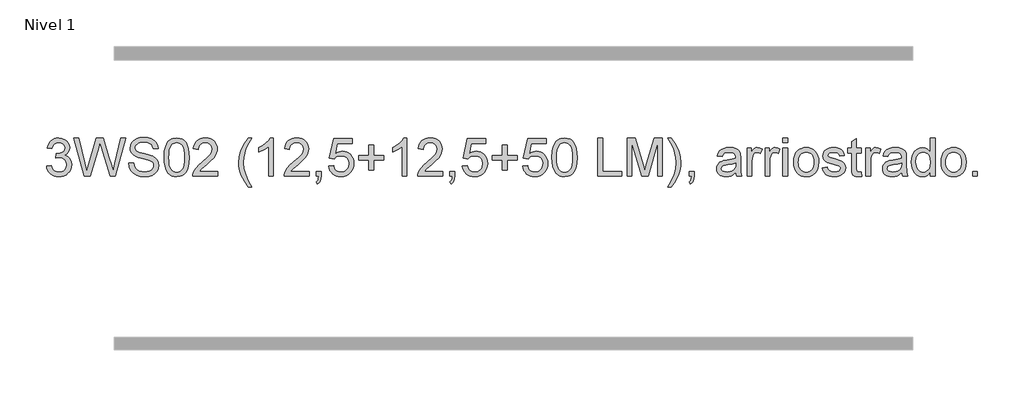
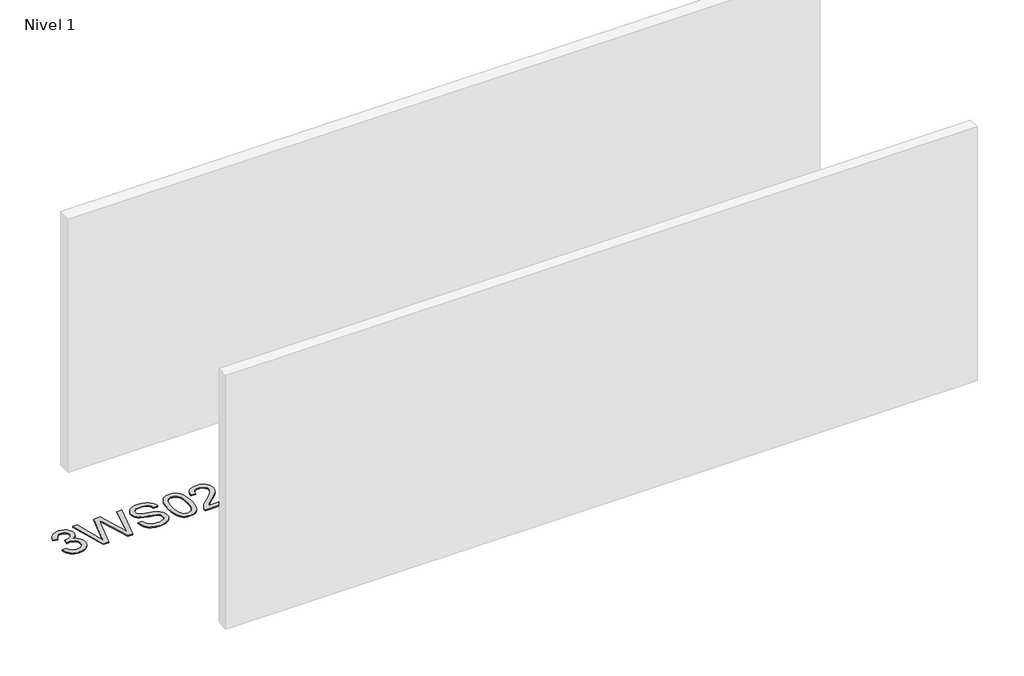
# One storey, part 6 of 13: 1 proxy.
"""IFC4 building model written with IfcOpenShell, lengths in millimetres."""

import ifcopenshell
import ifcopenshell.guid

model = None  # the IFC model being written
_history = None  # IfcOwnerHistory: only IFC2X3 demands one
_inside = {}  # id of a spatial element -> (the spatial element, [elements in it])
_under = {}  # id of a project, library or spatial element -> (it, [spatial elements below it])
_declared = {}  # id of a project -> (the project, [libraries it declares])
_typed = {}  # id of a type object -> (the type object, [elements of that type])
_made_of = {}  # id of a material, layer set ... -> (it, [elements and type objects made of it])


def new_model(schema):
    """Start an empty IFC model of exactly this schema.

    Asked for "IFC4X3", IfcOpenShell would pick the latest addendum, in which some entities
    have other attributes; the version numbers below select the first issue.
    IFC2X3 requires an IfcOwnerHistory on every rooted entity: one is made here for all.
    """
    global model, _history
    if schema == "IFC4X3":
        model = ifcopenshell.file(schema_version=(4, 3, 0, 0))
    else:
        model = ifcopenshell.file(schema=schema)
    _inside.clear()
    _under.clear()
    _declared.clear()
    _typed.clear()
    _made_of.clear()
    _history = None
    if model.schema == "IFC2X3":
        org = make("IfcOrganization", Name="unknown")
        user = make(
            "IfcPersonAndOrganization",
            ThePerson=make("IfcPerson", FamilyName="unknown"),
            TheOrganization=org,
        )
        app = make(
            "IfcApplication",
            ApplicationDeveloper=org,
            Version="unknown",
            ApplicationFullName="unknown",
            ApplicationIdentifier="unknown",
        )
        _history = make(
            "IfcOwnerHistory",
            OwningUser=user,
            OwningApplication=app,
            ChangeAction="ADDED",
            CreationDate=0,
        )
    return model


def make(cls, **values):
    """One entity of the class cls with the attributes given. An attribute that is None is left unset."""
    return model.create_entity(
        cls, **{name: value for name, value in values.items() if value is not None}
    )


def rooted(cls, **values):
    """An entity with a GlobalId (a new one), such as an element, a storey or a relation."""
    return make(cls, GlobalId=ifcopenshell.guid.new(), OwnerHistory=_history, **values)


def si_unit(unit_type, name, prefix=None):
    """IfcSIUnit, for example si_unit("LENGTHUNIT", "METRE", prefix="MILLI")."""
    return make("IfcSIUnit", UnitType=unit_type, Prefix=prefix, Name=name)


def assignment(units):
    """IfcUnitAssignment: the units of a project."""
    return None if units is None else make("IfcUnitAssignment", Units=units)


def point(xyz):
    """IfcCartesianPoint."""
    return None if xyz is None else make("IfcCartesianPoint", Coordinates=xyz)


def direction(xyz):
    """IfcDirection."""
    return None if xyz is None else make("IfcDirection", DirectionRatios=xyz)


def frame(location, z_axis=None, x_axis=None):
    """IfcAxis2Placement3D, a coordinate frame: its origin and axes. An axis left out is left unset."""
    return make(
        "IfcAxis2Placement3D",
        Location=point(location),
        Axis=direction(z_axis),
        RefDirection=direction(x_axis),
    )


def origin():
    """The frame at (0, 0, 0) with its axes left unset."""
    return frame((0.0, 0.0, 0.0))


def origin_with_axes():
    """The frame at (0, 0, 0) with the z axis (0, 0, 1) and the x axis (1, 0, 0) written out."""
    return frame((0.0, 0.0, 0.0), z_axis=(0.0, 0.0, 1.0), x_axis=(1.0, 0.0, 0.0))


def place(relative_to, where):
    """IfcLocalPlacement: puts the frame where relative to a parent placement (None: the world)."""
    return make(
        "IfcLocalPlacement", PlacementRelTo=relative_to, RelativePlacement=where
    )


def context(
    kind, dimensions, precision=None, world=None, true_north=None, identifier=None
):
    """IfcGeometricRepresentationContext, for example the 3D "Model" context."""
    return make(
        "IfcGeometricRepresentationContext",
        ContextIdentifier=identifier,
        ContextType=kind,
        CoordinateSpaceDimension=dimensions,
        Precision=precision,
        WorldCoordinateSystem=world,
        TrueNorth=true_north,
    )


def project(units=None, contexts=None):
    """IfcProject with its units and contexts."""
    return rooted(
        "IfcProject",
        Name="project",
        RepresentationContexts=contexts,
        UnitsInContext=assignment(units),
    )


def spatial(cls, under=None, at=None, **own):
    """A site, building, storey or space (cls), placed at a placement, below another one or the project."""
    s = rooted(cls, ObjectPlacement=at, **own)
    if under is not None:
        _under.setdefault(under.id(), (under, []))[1].append(s)
    return s


def polyline(points):
    """IfcPolyline through the points."""
    return make("IfcPolyline", Points=[point(p) for p in points])


def outline(outer, holes=None, kind="AREA"):
    """IfcArbitraryClosedProfileDef: a profile drawn as a closed curve; with holes, ...WithVoids."""
    if holes is None:
        return make("IfcArbitraryClosedProfileDef", ProfileType=kind, OuterCurve=outer)
    return make(
        "IfcArbitraryProfileDefWithVoids",
        ProfileType=kind,
        OuterCurve=outer,
        InnerCurves=holes,
    )


def extrude(swept, where, along, depth):
    """IfcExtrudedAreaSolid: the profile swept, set in the frame where, extruded along a direction by depth."""
    return make(
        "IfcExtrudedAreaSolid",
        SweptArea=swept,
        Position=where,
        ExtrudedDirection=direction(along),
        Depth=depth,
    )


def shape(context_of_items, identifier, shape_type, items):
    """IfcShapeRepresentation: the items that make up one representation, for example the "Body"."""
    return make(
        "IfcShapeRepresentation",
        ContextOfItems=context_of_items,
        RepresentationIdentifier=identifier,
        RepresentationType=shape_type,
        Items=items,
    )


def made_of(thing, what):
    """Note that an element or type object is made of a material, layer set ...; save() writes the relation."""
    if what is not None:
        _made_of.setdefault(what.id(), (what, []))[1].append(thing)
    return thing


def element(
    cls,
    number,
    at=None,
    inside=None,
    cuts=None,
    type_object=None,
    material=None,
    context=None,
    identifier="Body",
    shape_type=None,
    held_by="IfcProductDefinitionShape",
    body=None,
    shapes=None,
    **own,
):
    """One element of the class cls, such as IfcWall. Its Tag is "e" and its number.

    at: its placement. inside: the storey or other place that contains it. cuts: it is an
    opening in that element (IfcRelVoidsElement). A single representation is given by context,
    identifier, shape_type and body (its items); several are given by shapes. held_by: the class
    of the entity that holds the representations. save() writes the other relations.
    """
    e = rooted(cls, Tag="e%d" % number, ObjectPlacement=at, **own)
    if body is not None:
        shapes = [shape(context, identifier, shape_type, body)]
    if shapes is not None:
        e.Representation = make(held_by, Representations=shapes)
    if inside is not None:
        _inside.setdefault(inside.id(), (inside, []))[1].append(e)
    if cuts is not None:
        rooted(
            "IfcRelVoidsElement", RelatingBuildingElement=cuts, RelatedOpeningElement=e
        )
    if type_object is not None:
        _typed.setdefault(type_object.id(), (type_object, []))[1].append(e)
    return made_of(e, material)


def aggregate(whole, parts):
    """IfcRelAggregates: a whole, such as a stair, and the parts it consists of."""
    return rooted("IfcRelAggregates", RelatingObject=whole, RelatedObjects=parts)


def save(model, path):
    """Write the relations noted so far, then the file.

    IfcRelAggregates (storeys below a building ...), IfcRelContainedInSpatialStructure (elements
    in a storey), IfcRelDefinesByType, IfcRelAssociatesMaterial and IfcRelDeclares: one each for
    every whole, place, type object, material and project.
    """
    for whole, parts in _under.values():
        aggregate(whole, parts)
    for where, things in _inside.values():
        rooted(
            "IfcRelContainedInSpatialStructure",
            RelatedElements=things,
            RelatingStructure=where,
        )
    for kind, things in _typed.values():
        rooted("IfcRelDefinesByType", RelatedObjects=things, RelatingType=kind)
    for what, things in _made_of.values():
        rooted("IfcRelAssociatesMaterial", RelatedObjects=things, RelatingMaterial=what)
    for by, libraries in _declared.values():
        rooted("IfcRelDeclares", RelatingContext=by, RelatedDefinitions=libraries)
    model.write(path)


model = new_model("IFC4")

# Units and contexts
model_context = context("Model", 3, world=origin())
ifc_project = project(units=[si_unit("LENGTHUNIT", "METRE", prefix="MILLI")], contexts=[model_context])

# Site, building, storey
site = spatial("IfcSite", under=ifc_project)
building = spatial("IfcBuilding", under=site)
storey = spatial("IfcBuildingStorey", under=building, Name="Nivel 1", Elevation=0.0)

# Proxy
placement = place(None, origin())
element("IfcBuildingElementProxy", 1, Name="Texto de modelo 1", ObjectType="Texto de modelo 1", at=placement, inside=storey, context=model_context, shape_type="SweptSolid", body=[
    extrude(outline(polyline([(-26890.3594166, -4818.8446235), (-26840.1312615, -4812.5661041), (-26828.8863352, -4844.1303793), (-26812.4174845, -4865.4430095), (-26789.9153692, -4877.5831154), (-26760.5706487, -4881.6298173), (-26726.1368939, -4876.0625364), (-26711.8630725, -4869.1034354), (-26699.5512884, -4859.3606939), (-26682.5551402, -4834.4428201), (-26676.8897575, -4804.2274455), (-26682.5060893, -4775.5449126), (-26699.3550847, -4752.2825078), (-26724.8615697, -4736.8682522), (-26756.4503703, -4731.730167), (-26791.66894, -4737.2238715), (-26786.0771337, -4686.9957164), (-26778.0327807, -4687.5843276), (-26747.9400335, -4683.979084), (-26721.0355969, -4673.1633534), (-26709.9623489, -4664.9841103), (-26702.052886, -4654.8673555), (-26697.3072082, -4642.8130888), (-26695.7253157, -4628.8213102), (-26700.3115779, -4607.1285352), (-26714.0703645, -4589.5315131), (-26735.0641637, -4577.8696539), (-26761.3554636, -4573.9823675), (-26787.6958145, -4577.9064421), (-26809.2291739, -4589.6786659), (-26824.9499978, -4609.299039), (-26833.8527421, -4636.7675613), (-26884.0808972, -4630.4890419), (-26878.1273402, -4606.5092672), (-26869.292041, -4585.3867093), (-26857.5749994, -4567.1213683), (-26842.9762156, -4551.713244), (-26825.955542, -4539.4811677), (-26806.972831, -4530.7439703), (-26786.0280827, -4525.5016519), (-26763.1212972, -4523.7542124), (-26731.5447593, -4527.2000404), (-26702.5433953, -4537.5375245), (-26678.0915054, -4553.8469596), (-26660.1633895, -4575.2086408), (-26649.1637178, -4599.8199463), (-26645.4971606, -4625.8782543), (-26648.9797768, -4650.1584659), (-26659.4276255, -4672.1823347), (-26676.6935538, -4690.9443165), (-26700.6304089, -4705.4388671), (-26669.1887611, -4718.1430586), (-26645.8895681, -4739.77452), (-26631.4685938, -4769.1560286), (-26626.6616024, -4805.1103623), (-26629.0650981, -4830.5923218), (-26636.2755852, -4854.0631931), (-26648.2930638, -4875.5229762), (-26665.1175337, -4894.971671), (-26685.6146922, -4911.1094278), (-26708.6502364, -4922.636397), (-26734.2241665, -4929.5525785), (-26762.3364823, -4931.8579724), (-26787.7448654, -4929.8898037), (-26810.8969056, -4923.9852977), (-26831.7926029, -4914.1444543), (-26850.4319574, -4900.3672736), (-26866.0608108, -4883.4630959), (-26877.9250051, -4864.2412617), (-26886.0245404, -4842.7017708), (-26890.3594166, -4818.8446235)])), origin_with_axes(), (0.0, 0.0, 1.0), 10.0),
    extrude(outline(polyline([(-26491.9677413, -4925.579453), (-26601.5475249, -4523.7542124), (-26549.74974, -4523.7542124), (-26486.1797312, -4787.844434), (-26466.5593581, -4869.3670841), (-26445.5655589, -4797.2622131), (-26365.9068443, -4523.7542124), (-26291.2513247, -4523.7542124), (-26233.3712241, -4722.0180823), (-26208.5759777, -4795.5944814), (-26190.3045052, -4869.3670841), (-26171.2727433, -4790.1988788), (-26107.1141234, -4523.7542124), (-26055.3163385, -4523.7542124), (-26164.994224, -4925.579453), (-26218.6559443, -4925.579453), (-26314.9919761, -4615.5775584), (-26328.4319317, -4572.3146358), (-26343.5396189, -4624.4067263), (-26431.3407885, -4925.579453), (-26491.9677413, -4925.579453)])), origin_with_axes(), (0.0, 0.0, 1.0), 10.0),
    extrude(outline(polyline([(-26023.9237415, -4787.4520265), (-25973.6955865, -4787.4520265), (-25967.9321019, -4815.325219), (-25957.5087787, -4837.7292325), (-25941.2483945, -4855.5101956), (-25917.9737269, -4869.5142369), (-25889.524186, -4878.6009222), (-25857.7391816, -4881.6298173), (-25829.7556245, -4879.3366862), (-25805.2546836, -4872.4572929), (-25785.4013186, -4861.5679858), (-25771.3604891, -4847.2451135), (-25763.0095678, -4830.8007883), (-25760.2259274, -4813.5471227), (-25762.310592, -4796.7349155), (-25768.564586, -4782.2035767), (-25781.2687775, -4769.8059535), (-25802.7040351, -4759.394893), (-25875.8389757, -4740.2159784), (-25923.8475761, -4727.5240495), (-25954.5657227, -4715.4452573), (-25979.5694357, -4698.547211), (-25997.2890851, -4678.0684466), (-26007.8472983, -4654.4504225), (-26011.3667028, -4628.1345972), (-26007.0134325, -4598.7163003), (-25993.9536217, -4571.2845662), (-25972.5306268, -4548.0344241), (-25943.0878045, -4531.1609032), (-25907.7466075, -4520.8969956), (-25868.6284886, -4517.475693), (-25826.2484828, -4521.0564111), (-25789.1659777, -4531.7985654), (-25758.7053485, -4549.4814266), (-25736.1909704, -4573.8842656), (-25721.9416744, -4603.4865035), (-25716.2762917, -4636.7675613), (-25766.5044468, -4636.7675613), (-25775.7260221, -4606.7974414), (-25784.0892061, -4594.9393785), (-25794.9539877, -4585.1659801), (-25824.997684, -4572.0693811), (-25866.6664513, -4567.7038481), (-25909.3162373, -4572.0203302), (-25925.6195411, -4577.4159328), (-25938.5751187, -4584.9697764), (-25955.4976904, -4604.0260637), (-25961.1385477, -4626.6630692), (-25957.1408967, -4645.9646112), (-25945.1479436, -4661.4892314), (-25916.7965045, -4675.3706453), (-25863.1347842, -4689.5463649), (-25807.7562812, -4703.0108459), (-25774.2544941, -4714.7585443), (-25745.6210122, -4732.9809658), (-25725.6450198, -4755.4708184), (-25713.9095842, -4781.9828475), (-25709.9977723, -4812.2717985), (-25714.4981954, -4843.2351997), (-25727.9994646, -4872.359191), (-25749.949757, -4897.4242176), (-25779.7972495, -4916.2107248), (-25815.6902695, -4927.9461605), (-25855.7771443, -4931.8579724), (-25904.9874925, -4927.6395922), (-25945.4913002, -4914.9844515), (-25977.7545511, -4893.8434995), (-26002.2432293, -4864.1676853), (-26017.9640532, -4828.0171479), (-26023.9237415, -4787.4520265)])), origin_with_axes(), (0.0, 0.0, 1.0), 10.0),
    extrude(outline(polyline([(-25653.4910979, -4727.9041943), (-25649.8000152, -4663.5861588), (-25638.7267671, -4612.2911459), (-25620.3817183, -4573.2343407), (-25608.5236553, -4558.0009605), (-25594.8752333, -4545.6309284), (-25579.390467, -4536.0598651), (-25562.0233711, -4529.2233914), (-25521.6421908, -4523.7542124), (-25490.6910523, -4526.991574), (-25462.9772753, -4536.7036586), (-25439.8007096, -4552.5103217), (-25422.4612049, -4574.0314184), (-25409.3646059, -4601.0830078), (-25398.9167572, -4633.4811488), (-25392.0741521, -4674.6226186), (-25389.7932837, -4727.9041943), (-25393.4475782, -4791.8543477), (-25404.4104617, -4843.0267333), (-25422.6451459, -4882.1203266), (-25434.4756177, -4897.3996922), (-25448.1148427, -4909.8341036), (-25463.6180031, -4919.4695462), (-25481.0402813, -4926.3520052), (-25521.6421908, -4931.8579724), (-25549.3069168, -4929.4667394), (-25573.8323832, -4922.2930405), (-25595.2185898, -4910.3368757), (-25613.4655368, -4893.5982449), (-25630.9767198, -4863.3399508), (-25643.4847076, -4825.6381776), (-25650.9895003, -4780.4929255), (-25653.4910979, -4727.9041943)]), holes=[polyline([(-25603.2629428, -4727.8060924), (-25601.7914148, -4771.4706195), (-25597.3768309, -4806.8148822), (-25590.019191, -4833.8388804), (-25579.7184951, -4852.5426142), (-25567.2595582, -4865.2682656), (-25553.4271952, -4874.3580165), (-25538.221406, -4879.8118671), (-25521.6421908, -4881.6298173), (-25505.0629755, -4879.8057357), (-25489.8571864, -4874.3334911), (-25476.0248234, -4865.2130833), (-25463.5658865, -4852.4445124), (-25453.2651906, -4833.7101217), (-25445.9075507, -4806.6922549), (-25441.4929668, -4771.3909118), (-25440.0214388, -4727.8060924), (-25441.4439158, -4685.2973278), (-25445.711347, -4650.5753989), (-25452.8237322, -4623.6403055), (-25462.7810716, -4604.4920476), (-25475.031542, -4591.1440625), (-25489.0233206, -4581.6097875), (-25504.7564072, -4575.8892225), (-25522.230802, -4573.9823675), (-25538.7241781, -4575.6623619), (-25553.6724498, -4580.7023452), (-25567.0756172, -4589.1023175), (-25578.9336802, -4600.8622786), (-25589.5777326, -4621.708925), (-25597.1806271, -4649.8151094), (-25601.7423639, -4685.1808319), (-25603.2629428, -4727.8060924)])]), origin_with_axes(), (0.0, 0.0, 1.0), 10.0),
    extrude(outline(polyline([(-25088.4243533, -4875.3512979), (-25088.4243533, -4925.579453), (-25352.1221674, -4925.579453), (-25351.0185214, -4907.8965918), (-25346.7265648, -4890.9494945), (-25334.3412043, -4863.8856424), (-25316.2168847, -4837.6311307), (-25289.9991612, -4810.1503456), (-25253.333589, -4779.4076736), (-25199.1323084, -4731.2641831), (-25166.61154, -4695.7267824), (-25150.3511558, -4666.884834), (-25144.9310277, -4638.8277005), (-25150.0445875, -4613.6768347), (-25165.3852667, -4592.7688747), (-25188.9665026, -4578.6789943), (-25218.8017324, -4573.9823675), (-25250.1330156, -4578.5686297), (-25274.474541, -4592.3274163), (-25290.1831022, -4614.1796068), (-25295.615493, -4643.0460807), (-25345.843648, -4636.7675613), (-25341.5241003, -4610.838012), (-25333.666754, -4588.1826125), (-25322.2716092, -4568.8013627), (-25307.3386659, -4552.6942627), (-25289.2112806, -4540.0329907), (-25268.2328098, -4530.989225), (-25244.4032535, -4525.5629655), (-25217.7226118, -4523.7542124), (-25190.8028468, -4525.7653006), (-25166.8445319, -4531.7985654), (-25145.847667, -4541.8540066), (-25127.8122522, -4555.9316242), (-25113.3268987, -4572.9890861), (-25102.9802175, -4591.9840598), (-25096.7722089, -4612.9165453), (-25094.7028727, -4635.7865427), (-25096.9346901, -4659.8092369), (-25103.6301424, -4683.4149983), (-25115.5127308, -4707.4254299), (-25133.3059567, -4732.6621347), (-25161.6696585, -4762.7916701), (-25205.2636749, -4801.4805933), (-25263.0456736, -4849.795762), (-25285.7072046, -4875.3512979), (-25088.4243533, -4875.3512979)])), origin_with_axes(), (0.0, 0.0, 1.0), 10.0),
    extrude(outline(polyline([(-24768.2198647, -5038.5928019), (-24807.1417798, -4983.9745884), (-24839.5399208, -4920.7724616), (-24852.2870319, -4886.7188516), (-24861.3921113, -4852.0521049), (-24866.8551589, -4816.7722216), (-24868.6761748, -4780.8792016), (-24863.2315213, -4718.4618897), (-24846.8975607, -4658.7423792), (-24814.4748942, -4591.101143), (-24768.2198647, -4523.7542124), (-24730.5487484, -4523.7542124), (-24777.5395419, -4603.3148252), (-24793.5791969, -4641.0840434), (-24805.7928791, -4680.4228914), (-24815.2842346, -4730.6755719), (-24818.4480197, -4781.1735072), (-24812.9543153, -4845.565119), (-24796.4732019, -4909.9322055), (-24769.0046796, -4974.2747664), (-24730.5487484, -5038.5928019), (-24768.2198647, -5038.5928019)])), origin_with_axes(), (0.0, 0.0, 1.0), 10.0),
    extrude(outline(polyline([(-24504.5220505, -4925.579453), (-24554.7502056, -4925.579453), (-24554.7502056, -4612.4382987), (-24575.7194793, -4629.3976587), (-24602.3296103, -4646.3324932), (-24655.2065158, -4671.6918254), (-24655.2065158, -4624.2105225), (-24615.7573031, -4602.7507395), (-24581.5810658, -4577.219729), (-24554.639841, -4550.0700378), (-24536.8956661, -4523.7542124), (-24504.5220505, -4523.7542124), (-24504.5220505, -4925.579453)])), origin_with_axes(), (0.0, 0.0, 1.0), 10.0),
    extrude(outline(polyline([(-24127.8108875, -4875.3512979), (-24127.8108875, -4925.579453), (-24391.5087016, -4925.579453), (-24390.4050556, -4907.8965918), (-24386.113099, -4890.9494945), (-24373.7277385, -4863.8856424), (-24355.6034189, -4837.6311307), (-24329.3856954, -4810.1503456), (-24292.7201232, -4779.4076736), (-24238.5188425, -4731.2641831), (-24205.9980742, -4695.7267824), (-24189.73769, -4666.884834), (-24184.3175619, -4638.8277005), (-24189.4311217, -4613.6768347), (-24204.7718009, -4592.7688747), (-24228.3530367, -4578.6789943), (-24258.1882666, -4573.9823675), (-24289.5195498, -4578.5686297), (-24313.8610752, -4592.3274163), (-24329.5696364, -4614.1796068), (-24335.0020271, -4643.0460807), (-24385.2301822, -4636.7675613), (-24380.9106345, -4610.838012), (-24373.0532882, -4588.1826125), (-24361.6581434, -4568.8013627), (-24346.7252001, -4552.6942627), (-24328.5978147, -4540.0329907), (-24307.619344, -4530.989225), (-24283.7897877, -4525.5629655), (-24257.109146, -4523.7542124), (-24230.189381, -4525.7653006), (-24206.2310661, -4531.7985654), (-24185.2342012, -4541.8540066), (-24167.1987864, -4555.9316242), (-24152.7134329, -4572.9890861), (-24142.3667517, -4591.9840598), (-24136.1587431, -4612.9165453), (-24134.0894068, -4635.7865427), (-24136.3212243, -4659.8092369), (-24143.0166766, -4683.4149983), (-24154.899265, -4707.4254299), (-24172.6924909, -4732.6621347), (-24201.0561927, -4762.7916701), (-24244.6502091, -4801.4805933), (-24302.4322078, -4849.795762), (-24325.0937387, -4875.3512979), (-24127.8108875, -4875.3512979)])), origin_with_axes(), (0.0, 0.0, 1.0), 10.0),
    extrude(outline(polyline([(-24052.4686549, -4925.579453), (-24052.4686549, -4875.3512979), (-24002.2404998, -4875.3512979), (-24002.2404998, -4925.579453), (-24004.4968427, -4954.3110368), (-24011.2658714, -4976.9357795), (-24022.9399934, -4994.287547), (-24039.9116161, -5007.200205), (-24052.4686549, -4988.3646468), (-24041.5793478, -4979.2656988), (-24034.0255042, -4966.6841346), (-24029.439242, -4949.246528), (-24027.4526792, -4925.579453), (-24052.4686549, -4925.579453)])), origin_with_axes(), (0.0, 0.0, 1.0), 10.0),
    extrude(outline(polyline([(-23920.6197478, -4818.8446235), (-23870.3915927, -4812.5661041), (-23861.1700174, -4842.7201649), (-23845.0813114, -4864.3148381), (-23822.1990513, -4877.3010725), (-23792.5968135, -4881.6298173), (-23773.4669497, -4880.1245668), (-23756.5934289, -4875.6088153), (-23741.9762509, -4868.0825628), (-23729.6154159, -4857.5458094), (-23719.7868352, -4844.519721), (-23712.7664205, -4829.5254641), (-23707.1500887, -4793.6324441), (-23712.4108012, -4759.8363514), (-23718.9866919, -4745.9181493), (-23728.1929388, -4733.9865099), (-23740.0601989, -4724.4154467), (-23754.6191288, -4717.5789729), (-23791.8119985, -4712.1097939), (-23816.1780494, -4714.2925604), (-23835.908787, -4720.8408599), (-23851.6663992, -4730.8717757), (-23864.1130733, -4743.5023908), (-23914.3412284, -4737.2238715), (-23870.3915927, -4530.0327318), (-23675.7574918, -4530.0327318), (-23675.7574918, -4580.2608869), (-23829.7774204, -4580.2608869), (-23851.261729, -4690.919791), (-23833.5359482, -4678.2155994), (-23815.3809717, -4669.1411769), (-23796.7967996, -4663.6965234), (-23777.7834318, -4661.8816388), (-23753.3223448, -4664.1318504), (-23730.8539519, -4670.882485), (-23710.3782532, -4682.1335427), (-23691.8952486, -4697.8850234), (-23676.5944233, -4717.1743027), (-23665.6652624, -4739.038756), (-23659.1077658, -4763.4783832), (-23656.9219336, -4790.4931844), (-23658.8901023, -4816.5147042), (-23664.7946083, -4840.7213394), (-23674.6354517, -4863.1130902), (-23688.4126324, -4883.6899565), (-23709.2838043, -4904.7634634), (-23733.6375924, -4919.8159684), (-23761.4739967, -4928.8474714), (-23792.7930172, -4931.8579724), (-23818.7133694, -4929.9235262), (-23842.1259927, -4924.1201877), (-23863.0308871, -4914.447957), (-23881.4280526, -4900.9068338), (-23896.7350092, -4884.1712688), (-23908.3692773, -4864.915712), (-23916.3308569, -4843.1401636), (-23920.6197478, -4818.8446235)])), origin_with_axes(), (0.0, 0.0, 1.0), 10.0),
    extrude(outline(polyline([(-23499.958949, -4862.7942591), (-23499.958949, -4756.0594296), (-23606.6937786, -4756.0594296), (-23606.6937786, -4705.8312745), (-23499.958949, -4705.8312745), (-23499.958949, -4599.096445), (-23449.730794, -4599.096445), (-23449.730794, -4705.8312745), (-23342.9959644, -4705.8312745), (-23342.9959644, -4756.0594296), (-23449.730794, -4756.0594296), (-23449.730794, -4862.7942591), (-23499.958949, -4862.7942591)])), origin_with_axes(), (0.0, 0.0, 1.0), 10.0),
    extrude(outline(polyline([(-23098.1337084, -4925.579453), (-23148.3618635, -4925.579453), (-23148.3618635, -4612.4382987), (-23169.3311372, -4629.3976587), (-23195.9412682, -4646.3324932), (-23248.8181737, -4671.6918254), (-23248.8181737, -4624.2105225), (-23209.368961, -4602.7507395), (-23175.1927237, -4577.219729), (-23148.2514989, -4550.0700378), (-23130.507324, -4523.7542124), (-23098.1337084, -4523.7542124), (-23098.1337084, -4925.579453)])), origin_with_axes(), (0.0, 0.0, 1.0), 10.0),
    extrude(outline(polyline([(-22721.4225454, -4875.3512979), (-22721.4225454, -4925.579453), (-22985.1203595, -4925.579453), (-22984.0167135, -4907.8965918), (-22979.7247569, -4890.9494945), (-22967.3393964, -4863.8856424), (-22949.2150768, -4837.6311307), (-22922.9973533, -4810.1503456), (-22886.3317811, -4779.4076736), (-22832.1305005, -4731.2641831), (-22799.6097321, -4695.7267824), (-22783.3493479, -4666.884834), (-22777.9292198, -4638.8277005), (-22783.0427796, -4613.6768347), (-22798.3834588, -4592.7688747), (-22821.9646947, -4578.6789943), (-22851.7999245, -4573.9823675), (-22883.1312077, -4578.5686297), (-22907.4727331, -4592.3274163), (-22923.1812943, -4614.1796068), (-22928.6136851, -4643.0460807), (-22978.8418401, -4636.7675613), (-22974.5222924, -4610.838012), (-22966.6649461, -4588.1826125), (-22955.2698013, -4568.8013627), (-22940.336858, -4552.6942627), (-22922.2094727, -4540.0329907), (-22901.2310019, -4530.989225), (-22877.4014456, -4525.5629655), (-22850.7208039, -4523.7542124), (-22823.8010389, -4525.7653006), (-22799.842724, -4531.7985654), (-22778.8458591, -4541.8540066), (-22760.8104443, -4555.9316242), (-22746.3250908, -4572.9890861), (-22735.9784096, -4591.9840598), (-22729.770401, -4612.9165453), (-22727.7010648, -4635.7865427), (-22729.9328822, -4659.8092369), (-22736.6283345, -4683.4149983), (-22748.5109229, -4707.4254299), (-22766.3041488, -4732.6621347), (-22794.6678506, -4762.7916701), (-22838.261867, -4801.4805933), (-22896.0438657, -4849.795762), (-22918.7053967, -4875.3512979), (-22721.4225454, -4875.3512979)])), origin_with_axes(), (0.0, 0.0, 1.0), 10.0),
    extrude(outline(polyline([(-22646.0803128, -4925.579453), (-22646.0803128, -4875.3512979), (-22595.8521577, -4875.3512979), (-22595.8521577, -4925.579453), (-22598.1085006, -4954.3110368), (-22604.8775293, -4976.9357795), (-22616.5516513, -4994.287547), (-22633.523274, -5007.200205), (-22646.0803128, -4988.3646468), (-22635.1910057, -4979.2656988), (-22627.6371621, -4966.6841346), (-22623.0508999, -4949.246528), (-22621.0643371, -4925.579453), (-22646.0803128, -4925.579453)])), origin_with_axes(), (0.0, 0.0, 1.0), 10.0),
    extrude(outline(polyline([(-22514.2314057, -4818.8446235), (-22464.0032506, -4812.5661041), (-22454.7816753, -4842.7201649), (-22438.6929693, -4864.3148381), (-22415.8107092, -4877.3010725), (-22386.2084714, -4881.6298173), (-22367.0786076, -4880.1245668), (-22350.2050868, -4875.6088153), (-22335.5879088, -4868.0825628), (-22323.2270738, -4857.5458094), (-22313.3984932, -4844.519721), (-22306.3780784, -4829.5254641), (-22300.7617466, -4793.6324441), (-22306.0224591, -4759.8363514), (-22312.5983498, -4745.9181493), (-22321.8045967, -4733.9865099), (-22333.6718568, -4724.4154467), (-22348.2307867, -4717.5789729), (-22385.4236564, -4712.1097939), (-22409.7897073, -4714.2925604), (-22429.5204449, -4720.8408599), (-22445.2780571, -4730.8717757), (-22457.7247312, -4743.5023908), (-22507.9528863, -4737.2238715), (-22464.0032506, -4530.0327318), (-22269.3691497, -4530.0327318), (-22269.3691497, -4580.2608869), (-22423.3890783, -4580.2608869), (-22444.8733869, -4690.919791), (-22427.1476061, -4678.2155994), (-22408.9926296, -4669.1411769), (-22390.4084575, -4663.6965234), (-22371.3950897, -4661.8816388), (-22346.9340027, -4664.1318504), (-22324.4656098, -4670.882485), (-22303.9899111, -4682.1335427), (-22285.5069066, -4697.8850234), (-22270.2060812, -4717.1743027), (-22259.2769203, -4739.038756), (-22252.7194237, -4763.4783832), (-22250.5335915, -4790.4931844), (-22252.5017602, -4816.5147042), (-22258.4062662, -4840.7213394), (-22268.2471096, -4863.1130902), (-22282.0242903, -4883.6899565), (-22302.8954622, -4904.7634634), (-22327.2492503, -4919.8159684), (-22355.0856546, -4928.8474714), (-22386.4046751, -4931.8579724), (-22412.3250273, -4929.9235262), (-22435.7376506, -4924.1201877), (-22456.642545, -4914.447957), (-22475.0397105, -4900.9068338), (-22490.3466671, -4884.1712688), (-22501.9809352, -4864.915712), (-22509.9425148, -4843.1401636), (-22514.2314057, -4818.8446235)])), origin_with_axes(), (0.0, 0.0, 1.0), 10.0),
    extrude(outline(polyline([(-22093.5706069, -4862.7942591), (-22093.5706069, -4756.0594296), (-22200.3054365, -4756.0594296), (-22200.3054365, -4705.8312745), (-22093.5706069, -4705.8312745), (-22093.5706069, -4599.096445), (-22043.3424519, -4599.096445), (-22043.3424519, -4705.8312745), (-21936.6076223, -4705.8312745), (-21936.6076223, -4756.0594296), (-22043.3424519, -4756.0594296), (-22043.3424519, -4862.7942591), (-22093.5706069, -4862.7942591)])), origin_with_axes(), (0.0, 0.0, 1.0), 10.0),
    extrude(outline(polyline([(-21880.1009479, -4818.8446235), (-21829.8727928, -4812.5661041), (-21820.6512174, -4842.7201649), (-21804.5625115, -4864.3148381), (-21781.6802514, -4877.3010725), (-21752.0780135, -4881.6298173), (-21732.9481498, -4880.1245668), (-21716.074629, -4875.6088153), (-21701.457451, -4868.0825628), (-21689.096616, -4857.5458094), (-21679.2680353, -4844.519721), (-21672.2476206, -4829.5254641), (-21666.6312888, -4793.6324441), (-21671.8920013, -4759.8363514), (-21678.467892, -4745.9181493), (-21687.6741389, -4733.9865099), (-21699.541399, -4724.4154467), (-21714.1003289, -4717.5789729), (-21751.2931986, -4712.1097939), (-21775.6592494, -4714.2925604), (-21795.3899871, -4720.8408599), (-21811.1475992, -4730.8717757), (-21823.5942734, -4743.5023908), (-21873.8224285, -4737.2238715), (-21829.8727928, -4530.0327318), (-21635.2386919, -4530.0327318), (-21635.2386919, -4580.2608869), (-21789.2586205, -4580.2608869), (-21810.742929, -4690.919791), (-21793.0171482, -4678.2155994), (-21774.8621718, -4669.1411769), (-21756.2779997, -4663.6965234), (-21737.2646319, -4661.8816388), (-21712.8035449, -4664.1318504), (-21690.335152, -4670.882485), (-21669.8594533, -4682.1335427), (-21651.3764487, -4697.8850234), (-21636.0756234, -4717.1743027), (-21625.1464625, -4739.038756), (-21618.5889659, -4763.4783832), (-21616.4031337, -4790.4931844), (-21618.3713024, -4816.5147042), (-21624.2758084, -4840.7213394), (-21634.1166518, -4863.1130902), (-21647.8938325, -4883.6899565), (-21668.7650044, -4904.7634634), (-21693.1187925, -4919.8159684), (-21720.9551968, -4928.8474714), (-21752.2742173, -4931.8579724), (-21778.1945695, -4929.9235262), (-21801.6071928, -4924.1201877), (-21822.5120872, -4914.447957), (-21840.9092526, -4900.9068338), (-21856.2162093, -4884.1712688), (-21867.8504774, -4864.915712), (-21875.8120569, -4843.1401636), (-21880.1009479, -4818.8446235)])), origin_with_axes(), (0.0, 0.0, 1.0), 10.0),
    extrude(outline(polyline([(-21572.453498, -4727.9041943), (-21568.7624153, -4663.5861588), (-21557.6891673, -4612.2911459), (-21539.3441185, -4573.2343407), (-21527.4860555, -4558.0009605), (-21513.8376335, -4545.6309284), (-21498.3528672, -4536.0598651), (-21480.9857713, -4529.2233914), (-21440.604591, -4523.7542124), (-21409.6534524, -4526.991574), (-21381.9396755, -4536.7036586), (-21358.7631098, -4552.5103217), (-21341.4236051, -4574.0314184), (-21328.327006, -4601.0830078), (-21317.8791574, -4633.4811488), (-21311.0365523, -4674.6226186), (-21308.7556839, -4727.9041943), (-21312.4099784, -4791.8543477), (-21323.3728618, -4843.0267333), (-21341.6075461, -4882.1203266), (-21353.4380179, -4897.3996922), (-21367.0772429, -4909.8341036), (-21382.5804033, -4919.4695462), (-21400.0026814, -4926.3520052), (-21440.604591, -4931.8579724), (-21468.269317, -4929.4667394), (-21492.7947833, -4922.2930405), (-21514.18099, -4910.3368757), (-21532.427937, -4893.5982449), (-21549.9391199, -4863.3399508), (-21562.4471078, -4825.6381776), (-21569.9519005, -4780.4929255), (-21572.453498, -4727.9041943)]), holes=[polyline([(-21522.225343, -4727.8060924), (-21520.753815, -4771.4706195), (-21516.339231, -4806.8148822), (-21508.9815911, -4833.8388804), (-21498.6808953, -4852.5426142), (-21486.2219584, -4865.2682656), (-21472.3895953, -4874.3580165), (-21457.1838062, -4879.8118671), (-21440.604591, -4881.6298173), (-21424.0253757, -4879.8057357), (-21408.8195866, -4874.3334911), (-21394.9872236, -4865.2130833), (-21382.5282867, -4852.4445124), (-21372.2275908, -4833.7101217), (-21364.8699509, -4806.6922549), (-21360.4553669, -4771.3909118), (-21358.983839, -4727.8060924), (-21360.406316, -4685.2973278), (-21364.6737472, -4650.5753989), (-21371.7861324, -4623.6403055), (-21381.7434717, -4604.4920476), (-21393.9939422, -4591.1440625), (-21407.9857207, -4581.6097875), (-21423.7188074, -4575.8892225), (-21441.1932022, -4573.9823675), (-21457.6865783, -4575.6623619), (-21472.63485, -4580.7023452), (-21486.0380174, -4589.1023175), (-21497.8960803, -4600.8622786), (-21508.5401327, -4621.708925), (-21516.1430273, -4649.8151094), (-21520.704764, -4685.1808319), (-21522.225343, -4727.8060924)])]), origin_with_axes(), (0.0, 0.0, 1.0), 10.0),
    extrude(outline(polyline([(-21089.0075054, -4925.579453), (-21089.0075054, -4523.7542124), (-21038.7793504, -4523.7542124), (-21038.7793504, -4875.3512979), (-20837.8667301, -4875.3512979), (-20837.8667301, -4925.579453), (-21089.0075054, -4925.579453)])), origin_with_axes(), (0.0, 0.0, 1.0), 10.0),
    extrude(outline(polyline([(-20781.3600556, -4925.579453), (-20781.3600556, -4523.7542124), (-20694.9323122, -4523.7542124), (-20612.722949, -4806.9742977), (-20596.1437338, -4866.1297226), (-20578.1910924, -4802.0692045), (-20497.3551553, -4523.7542124), (-20410.9274119, -4523.7542124), (-20410.9274119, -4925.579453), (-20461.155567, -4925.579453), (-20461.155567, -4573.9823675), (-20562.1023865, -4925.579453), (-20630.1850811, -4925.579453), (-20731.1319005, -4573.9823675), (-20731.1319005, -4925.579453), (-20781.3600556, -4925.579453)])), origin_with_axes(), (0.0, 0.0, 1.0), 10.0),
    extrude(outline(polyline([(-20316.7496212, -5038.5928019), (-20354.4207375, -5038.5928019), (-20315.9648062, -4974.2747664), (-20288.4962839, -4909.9322055), (-20272.0151706, -4845.565119), (-20266.5214661, -4781.1735072), (-20269.6852512, -4731.0434539), (-20279.1766067, -4681.3058082), (-20291.1695598, -4641.8933838), (-20307.1356384, -4604.0996401), (-20354.4207375, -4523.7542124), (-20316.7496212, -4523.7542124), (-20270.4945916, -4591.101143), (-20238.0719251, -4658.7423792), (-20221.7379645, -4718.4618897), (-20216.293311, -4780.8792016), (-20218.1235239, -4816.7722216), (-20223.6141627, -4852.0521049), (-20232.7652273, -4886.7188516), (-20245.5767178, -4920.7724616), (-20278.0116471, -4983.9745884), (-20316.7496212, -5038.5928019)])), origin_with_axes(), (0.0, 0.0, 1.0), 10.0),
    extrude(outline(polyline([(-20128.3940396, -4925.579453), (-20128.3940396, -4875.3512979), (-20078.1658846, -4875.3512979), (-20078.1658846, -4925.579453), (-20080.4222275, -4954.3110368), (-20087.1912562, -4976.9357795), (-20098.8653782, -4994.287547), (-20115.8370009, -5007.200205), (-20128.3940396, -4988.3646468), (-20117.5047326, -4979.2656988), (-20109.9508889, -4966.6841346), (-20105.3646267, -4949.246528), (-20103.378064, -4925.579453), (-20128.3940396, -4925.579453)])), origin_with_axes(), (0.0, 0.0, 1.0), 10.0),
    extrude(outline(polyline([(-19638.6695277, -4887.9083367), (-19662.6676965, -4908.4852029), (-19687.3771038, -4921.949684), (-19713.3618354, -4929.3809003), (-19741.185977, -4931.8579724), (-19763.5501366, -4930.3680503), (-19783.1613126, -4925.8982841), (-19800.0195051, -4918.4486737), (-19814.1247139, -4908.0192191), (-19825.2623413, -4895.272108), (-19833.2177894, -4880.8695278), (-19837.9910583, -4864.8114788), (-19839.582148, -4847.0979607), (-19837.1786523, -4826.2758398), (-19829.9681651, -4807.3667052), (-19818.8458662, -4791.1798974), (-19804.7069348, -4778.5247568), (-19788.0909314, -4768.9598249), (-19769.5374161, -4762.0436434), (-19726.0782897, -4754.4897998), (-19674.7219632, -4746.5435487), (-19638.9638333, -4737.2238715), (-19638.6695277, -4726.0402588), (-19642.1276184, -4703.6239826), (-19652.5018907, -4688.9577537), (-19675.7029818, -4678.0684466), (-19708.0275465, -4674.4386776), (-19737.9486154, -4676.8544361), (-19758.8443127, -4684.1017114), (-19773.0936087, -4697.5048787), (-19783.0754735, -4718.3883133), (-19833.3036286, -4712.1097939), (-19824.5848253, -4684.6412716), (-19811.5740654, -4663.0588612), (-19793.0573383, -4646.5532224), (-19767.8206334, -4634.3150147), (-19736.955334, -4626.7366456), (-19701.5528234, -4624.2105225), (-19667.5973152, -4626.44234), (-19640.6806159, -4633.1377923), (-19620.3857925, -4643.2054962), (-19606.2959121, -4655.5540685), (-19596.9517094, -4670.8211713), (-19590.8939192, -4689.6444668), (-19588.4413726, -4733.5941024), (-19588.4413726, -4796.0849907), (-19585.8907241, -4883.3465999), (-19575.8843338, -4925.579453), (-19626.1124889, -4925.579453), (-19634.1568418, -4908.117321), (-19638.6695277, -4887.9083367)]), holes=[polyline([(-19638.6695277, -4787.4520265), (-19672.4165693, -4795.8152106), (-19719.7016685, -4802.8540194), (-19762.9155402, -4810.9964742), (-19774.1604665, -4816.5637551), (-19782.4868623, -4824.2402261), (-19787.6372102, -4833.4372759), (-19789.3539929, -4843.5662935), (-19785.6138593, -4858.5023025), (-19774.3934584, -4870.7405102), (-19755.938045, -4878.9074905), (-19730.4928737, -4881.6298173), (-19703.5148607, -4878.6254477), (-19679.6761074, -4869.6123388), (-19660.3500399, -4856.3317988), (-19646.9100843, -4840.5251357), (-19640.950396, -4824.2402261), (-19638.9638333, -4801.676797), (-19638.6695277, -4787.4520265)])]), origin_with_axes(), (0.0, 0.0, 1.0), 10.0),
    extrude(outline(polyline([(-19519.3776594, -4925.579453), (-19519.3776594, -4630.4890419), (-19475.4280237, -4630.4890419), (-19475.4280237, -4674.144372), (-19459.1921649, -4648.8340908), (-19444.2316305, -4633.9226072), (-19429.2220451, -4626.6385437), (-19412.8390335, -4624.2105225), (-19387.8230579, -4628.0855462), (-19362.4146747, -4639.7106173), (-19379.1900937, -4684.7393735), (-19396.8484295, -4677.0138516), (-19414.5067653, -4674.4386776), (-19429.5040879, -4676.9157497), (-19442.9072553, -4684.346966), (-19453.7352487, -4696.1682408), (-19461.0070495, -4711.8154883), (-19467.1138906, -4739.8726218), (-19469.1495043, -4770.4804038), (-19469.1495043, -4925.579453), (-19519.3776594, -4925.579453)])), origin_with_axes(), (0.0, 0.0, 1.0), 10.0),
    extrude(outline(polyline([(-19331.0220778, -4925.579453), (-19331.0220778, -4630.4890419), (-19287.0724421, -4630.4890419), (-19287.0724421, -4674.144372), (-19270.8365834, -4648.8340908), (-19255.8760489, -4633.9226072), (-19240.8664635, -4626.6385437), (-19224.483452, -4624.2105225), (-19199.4674763, -4628.0855462), (-19174.0590932, -4639.7106173), (-19190.8345122, -4684.7393735), (-19208.492848, -4677.0138516), (-19226.1511837, -4674.4386776), (-19241.1485064, -4676.9157497), (-19254.5516738, -4684.346966), (-19265.3796671, -4696.1682408), (-19272.6514679, -4711.8154883), (-19278.758309, -4739.8726218), (-19280.7939227, -4770.4804038), (-19280.7939227, -4925.579453), (-19331.0220778, -4925.579453)])), origin_with_axes(), (0.0, 0.0, 1.0), 10.0),
    extrude(outline(polyline([(-19142.6664963, -4573.9823675), (-19142.6664963, -4523.7542124), (-19092.4383412, -4523.7542124), (-19092.4383412, -4573.9823675), (-19142.6664963, -4573.9823675)])), origin_with_axes(), (0.0, 0.0, 1.0), 10.0),
    extrude(outline(polyline([(-19142.6664963, -4925.579453), (-19142.6664963, -4630.4890419), (-19092.4383412, -4630.4890419), (-19092.4383412, -4925.579453), (-19142.6664963, -4925.579453)])), origin_with_axes(), (0.0, 0.0, 1.0), 10.0),
    extrude(outline(polyline([(-19029.6531474, -4778.0342475), (-19026.936952, -4739.8174395), (-19018.7883658, -4706.8858696), (-19005.2073888, -4679.2395377), (-18986.194021, -4656.8784437), (-18967.0518945, -4642.5862282), (-18945.9232053, -4632.3775028), (-18922.8079532, -4626.2522676), (-18897.7061384, -4624.2105225), (-18869.9954271, -4626.6967917), (-18844.9395976, -4634.1555991), (-18822.5386498, -4646.5869449), (-18802.7925837, -4663.990829), (-18786.6762866, -4685.7786401), (-18775.1646458, -4711.3617672), (-18768.2576614, -4740.7402102), (-18765.9553332, -4773.9139691), (-18770.0265606, -4824.657159), (-18782.2402429, -4863.2847685), (-18802.2407607, -4892.212556), (-18829.6724948, -4913.8562801), (-18862.2545768, -4927.3575493), (-18897.7061384, -4931.8579724), (-18925.8215199, -4929.3809003), (-18951.1103414, -4921.949684), (-18973.5726029, -4909.5643235), (-18993.2083044, -4892.2248188), (-19009.1529232, -4870.2254755), (-19020.5419366, -4843.8605991), (-19027.3753447, -4813.1301898), (-19029.6531474, -4778.0342475)]), holes=[polyline([(-18979.4249923, -4777.9361456), (-18977.9718584, -4802.2991307), (-18973.6124568, -4823.3940975), (-18966.3467874, -4841.2210458), (-18956.1748502, -4855.7799758), (-18943.8017524, -4867.0892814), (-18929.9326012, -4875.1673569), (-18914.5673965, -4880.0142022), (-18897.7061384, -4881.6298173), (-18880.9307195, -4880.0050052), (-18865.6268285, -4875.1305687), (-18851.7944654, -4867.006508), (-18839.4336304, -4855.632823), (-18829.2616932, -4840.9298059), (-18821.9960238, -4822.817749), (-18817.6366222, -4801.2966523), (-18816.1834883, -4776.3665157), (-18817.6458192, -4752.7760828), (-18822.032812, -4732.2329391), (-18829.3444667, -4714.7370845), (-18839.5807832, -4700.2885191), (-18851.9876035, -4688.9792135), (-18865.8107695, -4680.901138), (-18881.0502811, -4676.0542927), (-18897.7061384, -4674.4386776), (-18914.5673965, -4676.0481613), (-18929.9326012, -4680.8766125), (-18943.8017524, -4688.9240312), (-18956.1748502, -4700.1904173), (-18966.3467874, -4714.7064277), (-18973.6124568, -4732.5027192), (-18977.9718584, -4753.5792918), (-18979.4249923, -4777.9361456)])]), origin_with_axes(), (0.0, 0.0, 1.0), 10.0),
    extrude(outline(polyline([(-18728.2842169, -4837.6801816), (-18678.0560618, -4831.4016622), (-18670.1343362, -4852.8859707), (-18654.8059198, -4868.6803711), (-18631.9727106, -4878.3924557), (-18601.5366069, -4881.6298173), (-18571.4683851, -4878.6622359), (-18550.3274331, -4869.7594916), (-18537.8194453, -4856.8590963), (-18533.650116, -4841.8985618), (-18537.8439708, -4829.0962684), (-18550.425535, -4819.3351328), (-18602.125218, -4805.0122604), (-18677.7617563, -4780.4377432), (-18696.9038827, -4768.0891709), (-18710.773034, -4751.7429475), (-18719.1975316, -4732.4414055), (-18722.0056975, -4711.2268771), (-18719.7493546, -4691.7659196), (-18712.9803259, -4673.8010155), (-18702.3117481, -4658.0434034), (-18688.3567577, -4645.2043217), (-18656.4246005, -4630.3418891), (-18635.5411659, -4625.7433642), (-18613.2107288, -4624.2105225), (-18580.5182822, -4626.6753319), (-18552.0932667, -4634.06976), (-18529.2355321, -4645.6703056), (-18513.244928, -4660.7534674), (-18502.6499265, -4680.4351541), (-18495.9789997, -4705.8312745), (-18546.2071548, -4712.1097939), (-18552.5469878, -4696.3031309), (-18565.0917639, -4684.396017), (-18583.9641102, -4676.9280125), (-18609.2866542, -4674.4386776), (-18638.1286026, -4676.8176479), (-18657.3565683, -4683.9545586), (-18668.1722989, -4694.2552544), (-18671.7775425, -4706.1255801), (-18665.7933287, -4720.7427581), (-18647.0558724, -4731.8282689), (-18603.7929498, -4742.5213722), (-18530.0693979, -4766.1639217), (-18510.5961776, -4777.4701617), (-18495.8318469, -4792.945731), (-18486.5244324, -4812.6396805), (-18483.4219609, -4836.6010611), (-18487.0639927, -4861.3717821), (-18497.9900879, -4884.6709751), (-18515.7833138, -4904.6714929), (-18540.0267373, -4919.5461883), (-18569.3101441, -4928.7800264), (-18602.2233199, -4931.8579724), (-18629.2565152, -4930.3741817), (-18652.8684079, -4925.9228095), (-18673.0589981, -4918.503856), (-18689.8282857, -4908.117321), (-18703.5257586, -4894.8122555), (-18714.5009048, -4878.6377104), (-18722.7537243, -4859.5936858), (-18728.2842169, -4837.6801816)])), origin_with_axes(), (0.0, 0.0, 1.0), 10.0),
    extrude(outline(polyline([(-18320.1804569, -4883.6899565), (-18313.9019376, -4927.050981), (-18351.474952, -4931.8579724), (-18375.5834854, -4929.7733077), (-18393.5606522, -4923.5193138), (-18406.2648438, -4913.8808055), (-18414.5544514, -4901.6425978), (-18419.1161882, -4880.6242732), (-18420.6367671, -4844.6454141), (-18420.6367671, -4680.717197), (-18458.3078834, -4680.717197), (-18458.3078834, -4630.4890419), (-18420.6367671, -4630.4890419), (-18420.6367671, -4558.7765783), (-18370.408612, -4529.2479169), (-18370.408612, -4630.4890419), (-18320.1804569, -4630.4890419), (-18320.1804569, -4680.717197), (-18370.408612, -4680.717197), (-18370.408612, -4843.1738861), (-18367.7598617, -4869.0727785), (-18359.1759484, -4878.2453029), (-18342.0571729, -4881.6298173), (-18320.1804569, -4883.6899565)])), origin_with_axes(), (0.0, 0.0, 1.0), 10.0),
    extrude(outline(polyline([(-18269.9523019, -4925.579453), (-18269.9523019, -4630.4890419), (-18226.0026662, -4630.4890419), (-18226.0026662, -4674.144372), (-18209.7668075, -4648.8340908), (-18194.806273, -4633.9226072), (-18179.7966876, -4626.6385437), (-18163.4136761, -4624.2105225), (-18138.3977004, -4628.0855462), (-18112.9893173, -4639.7106173), (-18129.7647362, -4684.7393735), (-18147.423072, -4677.0138516), (-18165.0814078, -4674.4386776), (-18180.0787304, -4676.9157497), (-18193.4818978, -4684.346966), (-18204.3098912, -4696.1682408), (-18211.581692, -4711.8154883), (-18217.6885331, -4739.8726218), (-18219.7241468, -4770.4804038), (-18219.7241468, -4925.579453), (-18269.9523019, -4925.579453)])), origin_with_axes(), (0.0, 0.0, 1.0), 10.0),
    extrude(outline(polyline([(-17893.2411388, -4887.9083367), (-17917.2393076, -4908.4852029), (-17941.948715, -4921.949684), (-17967.9334466, -4929.3809003), (-17995.7575881, -4931.8579724), (-18018.1217478, -4930.3680503), (-18037.7329238, -4925.8982841), (-18054.5911162, -4918.4486737), (-18068.696325, -4908.0192191), (-18079.8339524, -4895.272108), (-18087.7894006, -4880.8695278), (-18092.5626695, -4864.8114788), (-18094.1537591, -4847.0979607), (-18091.7502634, -4826.2758398), (-18084.5397763, -4807.3667052), (-18073.4174773, -4791.1798974), (-18059.278546, -4778.5247568), (-18042.6625425, -4768.9598249), (-18024.1090272, -4762.0436434), (-17980.6499009, -4754.4897998), (-17929.2935743, -4746.5435487), (-17893.5354444, -4737.2238715), (-17893.2411388, -4726.0402588), (-17896.6992296, -4703.6239826), (-17907.0735018, -4688.9577537), (-17930.274593, -4678.0684466), (-17962.5991576, -4674.4386776), (-17992.5202266, -4676.8544361), (-18013.4159239, -4684.1017114), (-18027.6652198, -4697.5048787), (-18037.6470846, -4718.3883133), (-18087.8752397, -4712.1097939), (-18079.1564364, -4684.6412716), (-18066.1456765, -4663.0588612), (-18047.6289494, -4646.5532224), (-18022.3922446, -4634.3150147), (-17991.5269452, -4626.7366456), (-17956.1244345, -4624.2105225), (-17922.1689264, -4626.44234), (-17895.252227, -4633.1377923), (-17874.9574036, -4643.2054962), (-17860.8675232, -4655.5540685), (-17851.5233206, -4670.8211713), (-17845.4655304, -4689.6444668), (-17843.0129837, -4733.5941024), (-17843.0129837, -4796.0849907), (-17840.4623352, -4883.3465999), (-17830.455945, -4925.579453), (-17880.6841, -4925.579453), (-17888.728453, -4908.117321), (-17893.2411388, -4887.9083367)]), holes=[polyline([(-17893.2411388, -4787.4520265), (-17926.9881805, -4795.8152106), (-17974.2732796, -4802.8540194), (-18017.4871513, -4810.9964742), (-18028.7320776, -4816.5637551), (-18037.0584735, -4824.2402261), (-18042.2088214, -4833.4372759), (-18043.925604, -4843.5662935), (-18040.1854704, -4858.5023025), (-18028.9650696, -4870.7405102), (-18010.5096561, -4878.9074905), (-17985.0644848, -4881.6298173), (-17958.0864718, -4878.6254477), (-17934.2477185, -4869.6123388), (-17914.9216511, -4856.3317988), (-17901.4816955, -4840.5251357), (-17895.5220072, -4824.2402261), (-17893.5354444, -4801.676797), (-17893.2411388, -4787.4520265)])]), origin_with_axes(), (0.0, 0.0, 1.0), 10.0),
    extrude(outline(polyline([(-17591.8722084, -4925.579453), (-17591.8722084, -4878.196252), (-17606.9001879, -4901.6732547), (-17625.1042153, -4918.4425423), (-17646.4842905, -4928.5041149), (-17671.0404137, -4931.8579724), (-17703.5121312, -4927.00193), (-17733.2369964, -4912.433803), (-17758.4001248, -4889.1713982), (-17777.1866321, -4858.2325224), (-17788.8852795, -4820.8679744), (-17792.7848287, -4778.3285531), (-17789.1918478, -4736.3164292), (-17778.4129054, -4698.3755328), (-17760.460264, -4666.6641048), (-17735.3461865, -4643.3403863), (-17704.9713964, -4628.9929885), (-17671.2366174, -4624.2105225), (-17646.6621002, -4627.6318251), (-17624.932537, -4637.8957328), (-17606.5139118, -4653.6288194), (-17591.8722084, -4673.457659), (-17591.8722084, -4523.7542124), (-17541.6440533, -4523.7542124), (-17541.6440533, -4925.579453), (-17591.8722084, -4925.579453)]), holes=[polyline([(-17742.5566736, -4778.1323493), (-17741.1403279, -4802.4892031), (-17736.8912909, -4823.5657757), (-17729.8095624, -4841.3620672), (-17719.8951427, -4855.8780776), (-17695.1979981, -4875.1918824), (-17681.3227155, -4880.0203336), (-17666.429626, -4881.6298173), (-17651.4660259, -4880.09391), (-17637.6735168, -4875.486188), (-17613.6017715, -4857.0553), (-17604.0950876, -4843.1462949), (-17597.3045992, -4825.9937969), (-17591.8722084, -4781.9583221), (-17597.402701, -4733.8148316), (-17604.3158168, -4715.2797104), (-17613.994179, -4700.4356719), (-17625.6958921, -4689.0619869), (-17638.6790609, -4680.9379262), (-17652.9436852, -4676.0634898), (-17668.4897652, -4674.4386776), (-17683.6771603, -4675.9991104), (-17697.5524428, -4680.6804088), (-17710.115613, -4688.4825728), (-17721.3666707, -4699.4056024), (-17730.6372969, -4713.6886208), (-17737.2591728, -4731.5707515), (-17742.5566736, -4778.1323493)])]), origin_with_axes(), (0.0, 0.0, 1.0), 10.0),
    extrude(outline(polyline([(-17478.8588594, -4778.0342475), (-17476.142664, -4739.8174395), (-17467.9940778, -4706.8858696), (-17454.4131009, -4679.2395377), (-17435.3997331, -4656.8784437), (-17416.2576066, -4642.5862282), (-17395.1289173, -4632.3775028), (-17372.0136653, -4626.2522676), (-17346.9118505, -4624.2105225), (-17319.2011392, -4626.6967917), (-17294.1453097, -4634.1555991), (-17271.7443618, -4646.5869449), (-17251.9982957, -4663.990829), (-17235.8819987, -4685.7786401), (-17224.3703579, -4711.3617672), (-17217.4633734, -4740.7402102), (-17215.1610453, -4773.9139691), (-17219.2322727, -4824.657159), (-17231.4459549, -4863.2847685), (-17251.4464728, -4892.212556), (-17278.8782069, -4913.8562801), (-17311.4602889, -4927.3575493), (-17346.9118505, -4931.8579724), (-17375.027232, -4929.3809003), (-17400.3160535, -4921.949684), (-17422.778315, -4909.5643235), (-17442.4140164, -4892.2248188), (-17458.3586353, -4870.2254755), (-17469.7476487, -4843.8605991), (-17476.5810568, -4813.1301898), (-17478.8588594, -4778.0342475)]), holes=[polyline([(-17428.6307044, -4777.9361456), (-17427.1775705, -4802.2991307), (-17422.8181688, -4823.3940975), (-17415.5524994, -4841.2210458), (-17405.3805623, -4855.7799758), (-17393.0074645, -4867.0892814), (-17379.1383133, -4875.1673569), (-17363.7731086, -4880.0142022), (-17346.9118505, -4881.6298173), (-17330.1364315, -4880.0050052), (-17314.8325405, -4875.1305687), (-17301.0001775, -4867.006508), (-17288.6393425, -4855.632823), (-17278.4674053, -4840.9298059), (-17271.2017359, -4822.817749), (-17266.8423343, -4801.2966523), (-17265.3892004, -4776.3665157), (-17266.8515313, -4752.7760828), (-17271.2385241, -4732.2329391), (-17278.5501787, -4714.7370845), (-17288.7864953, -4700.2885191), (-17301.1933156, -4688.9792135), (-17315.0164815, -4680.901138), (-17330.2559932, -4676.0542927), (-17346.9118505, -4674.4386776), (-17363.7731086, -4676.0481613), (-17379.1383133, -4680.8766125), (-17393.0074645, -4688.9240312), (-17405.3805623, -4700.1904173), (-17415.5524994, -4714.7064277), (-17422.8181688, -4732.5027192), (-17427.1775705, -4753.5792918), (-17428.6307044, -4777.9361456)])]), origin_with_axes(), (0.0, 0.0, 1.0), 10.0),
    extrude(outline(polyline([(-17146.0973321, -4925.579453), (-17146.0973321, -4875.3512979), (-17095.869177, -4875.3512979), (-17095.869177, -4925.579453), (-17146.0973321, -4925.579453)])), origin_with_axes(), (0.0, 0.0, 1.0), 10.0),
])

save(model, "model.ifc")
